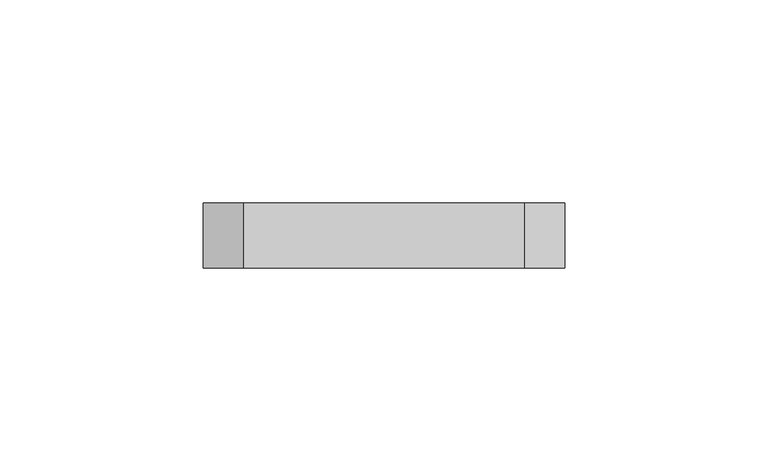
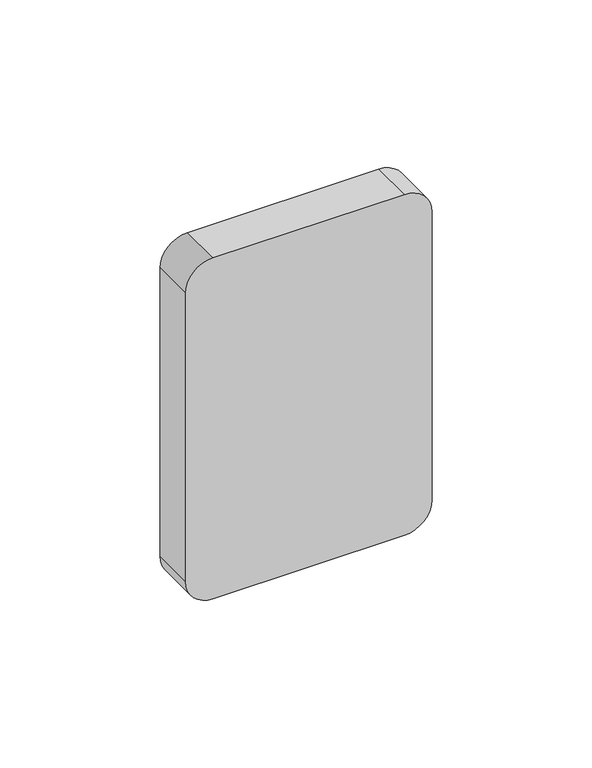
"""IFC4 building model written with IfcOpenShell, lengths in millimetres: proxy geometry."""

from ifc_helpers import new_model, si_unit, point, frame, frame_2d, origin, place, context, project, spatial, polyline, circle_curve, trimmed, segment, composite_curve, outline, extrude, source, transform, mapped, element, save


def electrical_fixtures_659c99c5(model_context):
    return source(origin(), model_context, "Body", "SweptSolid", [
        extrude(outline(composite_curve([segment(trimmed(circle_curve(frame_2d((1445.0, 159.5)), 10.0), [point((1435.0, 159.5))], [point((1445.0, 169.5))], False, "CARTESIAN"), True, "CONTINUOUS"), segment(polyline([(1445.0, 169.5), (1555.0, 169.5)]), True, "CONTINUOUS"), segment(trimmed(circle_curve(frame_2d((1555.0, 159.5)), 10.0), [point((1555.0, 169.5))], [point((1565.0, 159.5))], False, "CARTESIAN"), True, "CONTINUOUS"), segment(polyline([(1565.0, 159.5), (1565.0, 90.5)]), True, "CONTINUOUS"), segment(trimmed(circle_curve(frame_2d((1555.0, 90.5)), 10.0), [point((1565.0, 90.5))], [point((1555.0, 80.5))], False, "CARTESIAN"), True, "CONTINUOUS"), segment(polyline([(1555.0, 80.5), (1445.0, 80.5)]), True, "CONTINUOUS"), segment(trimmed(circle_curve(frame_2d((1445.0, 90.5)), 10.0), [point((1445.0, 80.5))], [point((1435.0, 90.5))], False, "CARTESIAN"), True, "CONTINUOUS"), segment(polyline([(1435.0, 90.5), (1435.0, 159.5)]), True, "CONTINUOUS")], self_intersect=False)), frame((0.0, 59.0, 0.0), z_axis=(0.0, 1.0, 0.0), x_axis=(0.0, 0.0, 1.0)), (0.0, 0.0, 1.0), 16.0),
    ])


if __name__ == "__main__":
    model = new_model("IFC4")
    model_context = context("Model", 3, world=origin())
    ifc_project = project(units=[si_unit("LENGTHUNIT", "METRE", prefix="MILLI")], contexts=[model_context])
    site = spatial("IfcSite", under=ifc_project)
    building = spatial("IfcBuilding", under=site)
    placement = place(None, origin())
    electrical_fixtures_shape = electrical_fixtures_659c99c5(model_context)
    element("IfcBuildingElementProxy", 1, Name="Electrical Fixtures", at=placement, inside=building, context=model_context, shape_type="MappedRepresentation", body=[
        mapped(electrical_fixtures_shape, transform((0.0, 0.0, 0.0), x_axis=(1.0, 0.0, 0.0), y_axis=(0.0, 1.0, 0.0), z_axis=(0.0, 0.0, 1.0))),
    ])
    save(model, "model.ifc")
